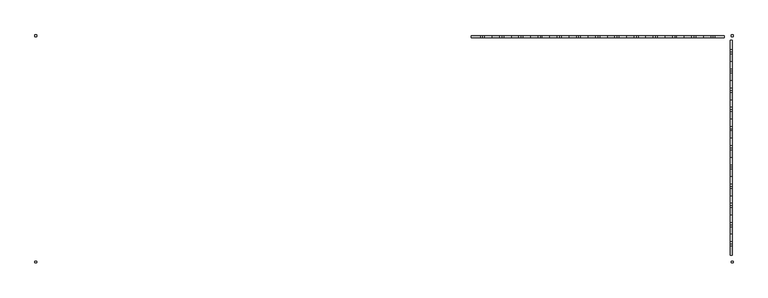
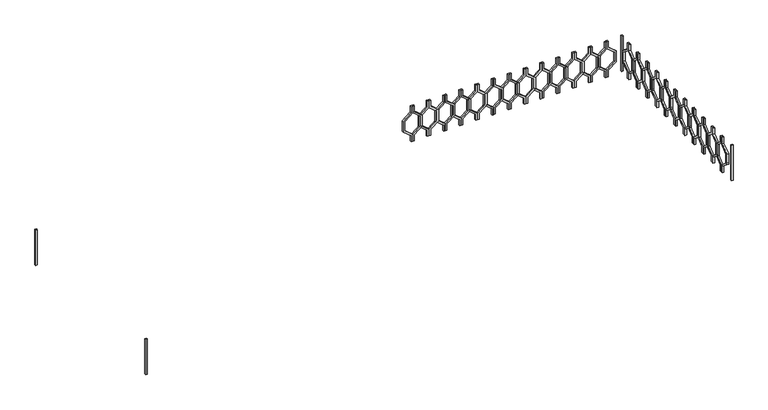
"""IFC4 building model written with IfcOpenShell, lengths in millimetres: railing geometry."""

from ifc_helpers import new_model, si_unit, frame, origin, place, context, project, spatial, polyline, outline, extrude, source, transform, mapped, element, save


def railing_201c6637(model_context):
    return source(origin(), model_context, "Body", "SweptSolid", [
        extrude(outline(polyline([(8860.0, -43314.9887159), (8860.0, -43334.9887159), (8780.0, -43334.9887159), (8700.0, -43433.9836653), (8560.0, -43433.9836653), (8480.0, -43334.9887159), (8400.0, -43334.9887159), (8400.0, -43314.9887159), (8489.551845, -43314.9887159), (8569.551845, -43413.9836653), (8690.448155, -43413.9836653), (8770.448155, -43314.9887159), (8860.0, -43314.9887159)])), frame((0.0, 3248.1079487, 0.0), z_axis=(0.0, 1.0, 0.0), x_axis=(0.0, 0.0, 1.0)), (0.0, 0.0, 1.0), 20.0),
        extrude(outline(polyline([(8860.0, -43314.9887159), (8770.448155, -43314.9887159), (8690.448155, -43215.9937665), (8569.551845, -43215.9937665), (8489.551845, -43314.9887159), (8400.0, -43314.9887159), (8400.0, -43294.9887159), (8480.0, -43294.9887159), (8560.0, -43195.9937665), (8700.0, -43195.9937665), (8780.0, -43294.9887159), (8860.0, -43294.9887159), (8860.0, -43314.9887159)])), frame((0.0, 3248.1079487, 0.0), z_axis=(0.0, 1.0, 0.0), x_axis=(0.0, 0.0, 1.0)), (0.0, 0.0, 1.0), 20.0),
        extrude(outline(polyline([(8860.0, -43114.9887159), (8860.0, -43134.9887159), (8780.0, -43134.9887159), (8700.0, -43233.9836653), (8560.0, -43233.9836653), (8480.0, -43134.9887159), (8400.0, -43134.9887159), (8400.0, -43114.9887159), (8489.551845, -43114.9887159), (8569.551845, -43213.9836653), (8690.448155, -43213.9836653), (8770.448155, -43114.9887159), (8860.0, -43114.9887159)])), frame((0.0, 3248.1079487, 0.0), z_axis=(0.0, 1.0, 0.0), x_axis=(0.0, 0.0, 1.0)), (0.0, 0.0, 1.0), 20.0),
        extrude(outline(polyline([(8860.0, -43114.9887159), (8770.448155, -43114.9887159), (8690.448155, -43015.9937665), (8569.551845, -43015.9937665), (8489.551845, -43114.9887159), (8400.0, -43114.9887159), (8400.0, -43094.9887159), (8480.0, -43094.9887159), (8560.0, -42995.9937665), (8700.0, -42995.9937665), (8780.0, -43094.9887159), (8860.0, -43094.9887159), (8860.0, -43114.9887159)])), frame((0.0, 3248.1079487, 0.0), z_axis=(0.0, 1.0, 0.0), x_axis=(0.0, 0.0, 1.0)), (0.0, 0.0, 1.0), 20.0),
        extrude(outline(polyline([(8860.0, -42914.9887159), (8860.0, -42934.9887159), (8780.0, -42934.9887159), (8700.0, -43033.9836653), (8560.0, -43033.9836653), (8480.0, -42934.9887159), (8400.0, -42934.9887159), (8400.0, -42914.9887159), (8489.551845, -42914.9887159), (8569.551845, -43013.9836653), (8690.448155, -43013.9836653), (8770.448155, -42914.9887159), (8860.0, -42914.9887159)])), frame((0.0, 3248.1079487, 0.0), z_axis=(0.0, 1.0, 0.0), x_axis=(0.0, 0.0, 1.0)), (0.0, 0.0, 1.0), 20.0),
        extrude(outline(polyline([(8860.0, -42914.9887159), (8770.448155, -42914.9887159), (8690.448155, -42815.9937665), (8569.551845, -42815.9937665), (8489.551845, -42914.9887159), (8400.0, -42914.9887159), (8400.0, -42894.9887159), (8480.0, -42894.9887159), (8560.0, -42795.9937665), (8700.0, -42795.9937665), (8780.0, -42894.9887159), (8860.0, -42894.9887159), (8860.0, -42914.9887159)])), frame((0.0, 3248.1079487, 0.0), z_axis=(0.0, 1.0, 0.0), x_axis=(0.0, 0.0, 1.0)), (0.0, 0.0, 1.0), 20.0),
        extrude(outline(polyline([(8860.0, -42714.9887159), (8860.0, -42734.9887159), (8780.0, -42734.9887159), (8700.0, -42833.9836653), (8560.0, -42833.9836653), (8480.0, -42734.9887159), (8400.0, -42734.9887159), (8400.0, -42714.9887159), (8489.551845, -42714.9887159), (8569.551845, -42813.9836653), (8690.448155, -42813.9836653), (8770.448155, -42714.9887159), (8860.0, -42714.9887159)])), frame((0.0, 3248.1079487, 0.0), z_axis=(0.0, 1.0, 0.0), x_axis=(0.0, 0.0, 1.0)), (0.0, 0.0, 1.0), 20.0),
        extrude(outline(polyline([(8860.0, -42714.9887159), (8770.448155, -42714.9887159), (8690.448155, -42615.9937665), (8569.551845, -42615.9937665), (8489.551845, -42714.9887159), (8400.0, -42714.9887159), (8400.0, -42694.9887159), (8480.0, -42694.9887159), (8560.0, -42595.9937665), (8700.0, -42595.9937665), (8780.0, -42694.9887159), (8860.0, -42694.9887159), (8860.0, -42714.9887159)])), frame((0.0, 3248.1079487, 0.0), z_axis=(0.0, 1.0, 0.0), x_axis=(0.0, 0.0, 1.0)), (0.0, 0.0, 1.0), 20.0),
        extrude(outline(polyline([(8860.0, -42514.9887159), (8860.0, -42534.9887159), (8780.0, -42534.9887159), (8700.0, -42633.9836653), (8560.0, -42633.9836653), (8480.0, -42534.9887159), (8400.0, -42534.9887159), (8400.0, -42514.9887159), (8489.551845, -42514.9887159), (8569.551845, -42613.9836653), (8690.448155, -42613.9836653), (8770.448155, -42514.9887159), (8860.0, -42514.9887159)])), frame((0.0, 3248.1079487, 0.0), z_axis=(0.0, 1.0, 0.0), x_axis=(0.0, 0.0, 1.0)), (0.0, 0.0, 1.0), 20.0),
        extrude(outline(polyline([(8860.0, -42514.9887159), (8770.448155, -42514.9887159), (8690.448155, -42415.9937665), (8569.551845, -42415.9937665), (8489.551845, -42514.9887159), (8400.0, -42514.9887159), (8400.0, -42494.9887159), (8480.0, -42494.9887159), (8560.0, -42395.9937665), (8700.0, -42395.9937665), (8780.0, -42494.9887159), (8860.0, -42494.9887159), (8860.0, -42514.9887159)])), frame((0.0, 3248.1079487, 0.0), z_axis=(0.0, 1.0, 0.0), x_axis=(0.0, 0.0, 1.0)), (0.0, 0.0, 1.0), 20.0),
        extrude(outline(polyline([(8860.0, -42314.9887159), (8860.0, -42334.9887159), (8780.0, -42334.9887159), (8700.0, -42433.9836653), (8560.0, -42433.9836653), (8480.0, -42334.9887159), (8400.0, -42334.9887159), (8400.0, -42314.9887159), (8489.551845, -42314.9887159), (8569.551845, -42413.9836653), (8690.448155, -42413.9836653), (8770.448155, -42314.9887159), (8860.0, -42314.9887159)])), frame((0.0, 3248.1079487, 0.0), z_axis=(0.0, 1.0, 0.0), x_axis=(0.0, 0.0, 1.0)), (0.0, 0.0, 1.0), 20.0),
        extrude(outline(polyline([(8860.0, -42314.9887159), (8770.448155, -42314.9887159), (8690.448155, -42215.9937665), (8569.551845, -42215.9937665), (8489.551845, -42314.9887159), (8400.0, -42314.9887159), (8400.0, -42294.9887159), (8480.0, -42294.9887159), (8560.0, -42195.9937665), (8700.0, -42195.9937665), (8780.0, -42294.9887159), (8860.0, -42294.9887159), (8860.0, -42314.9887159)])), frame((0.0, 3248.1079487, 0.0), z_axis=(0.0, 1.0, 0.0), x_axis=(0.0, 0.0, 1.0)), (0.0, 0.0, 1.0), 20.0),
        extrude(outline(polyline([(8860.0, -42114.9887159), (8860.0, -42134.9887159), (8780.0, -42134.9887159), (8700.0, -42233.9836653), (8560.0, -42233.9836653), (8480.0, -42134.9887159), (8400.0, -42134.9887159), (8400.0, -42114.9887159), (8489.551845, -42114.9887159), (8569.551845, -42213.9836653), (8690.448155, -42213.9836653), (8770.448155, -42114.9887159), (8860.0, -42114.9887159)])), frame((0.0, 3248.1079487, 0.0), z_axis=(0.0, 1.0, 0.0), x_axis=(0.0, 0.0, 1.0)), (0.0, 0.0, 1.0), 20.0),
        extrude(outline(polyline([(8860.0, -42114.9887159), (8770.448155, -42114.9887159), (8690.448155, -42015.9937665), (8569.551845, -42015.9937665), (8489.551845, -42114.9887159), (8400.0, -42114.9887159), (8400.0, -42094.9887159), (8480.0, -42094.9887159), (8560.0, -41995.9937665), (8700.0, -41995.9937665), (8780.0, -42094.9887159), (8860.0, -42094.9887159), (8860.0, -42114.9887159)])), frame((0.0, 3248.1079487, 0.0), z_axis=(0.0, 1.0, 0.0), x_axis=(0.0, 0.0, 1.0)), (0.0, 0.0, 1.0), 20.0),
        extrude(outline(polyline([(8860.0, -41914.9887159), (8860.0, -41934.9887159), (8780.0, -41934.9887159), (8700.0, -42033.9836653), (8560.0, -42033.9836653), (8480.0, -41934.9887159), (8400.0, -41934.9887159), (8400.0, -41914.9887159), (8489.551845, -41914.9887159), (8569.551845, -42013.9836653), (8690.448155, -42013.9836653), (8770.448155, -41914.9887159), (8860.0, -41914.9887159)])), frame((0.0, 3248.1079487, 0.0), z_axis=(0.0, 1.0, 0.0), x_axis=(0.0, 0.0, 1.0)), (0.0, 0.0, 1.0), 20.0),
        extrude(outline(polyline([(8860.0, -41914.9887159), (8770.448155, -41914.9887159), (8690.448155, -41815.9937665), (8569.551845, -41815.9937665), (8489.551845, -41914.9887159), (8400.0, -41914.9887159), (8400.0, -41894.9887159), (8480.0, -41894.9887159), (8560.0, -41795.9937665), (8700.0, -41795.9937665), (8780.0, -41894.9887159), (8860.0, -41894.9887159), (8860.0, -41914.9887159)])), frame((0.0, 3248.1079487, 0.0), z_axis=(0.0, 1.0, 0.0), x_axis=(0.0, 0.0, 1.0)), (0.0, 0.0, 1.0), 20.0),
        extrude(outline(polyline([(8860.0, -41714.9887159), (8860.0, -41734.9887159), (8780.0, -41734.9887159), (8700.0, -41833.9836653), (8560.0, -41833.9836653), (8480.0, -41734.9887159), (8400.0, -41734.9887159), (8400.0, -41714.9887159), (8489.551845, -41714.9887159), (8569.551845, -41813.9836653), (8690.448155, -41813.9836653), (8770.448155, -41714.9887159), (8860.0, -41714.9887159)])), frame((0.0, 3248.1079487, 0.0), z_axis=(0.0, 1.0, 0.0), x_axis=(0.0, 0.0, 1.0)), (0.0, 0.0, 1.0), 20.0),
        extrude(outline(polyline([(8860.0, -41714.9887159), (8770.448155, -41714.9887159), (8690.448155, -41615.9937665), (8569.551845, -41615.9937665), (8489.551845, -41714.9887159), (8400.0, -41714.9887159), (8400.0, -41694.9887159), (8480.0, -41694.9887159), (8560.0, -41595.9937665), (8700.0, -41595.9937665), (8780.0, -41694.9887159), (8860.0, -41694.9887159), (8860.0, -41714.9887159)])), frame((0.0, 3248.1079487, 0.0), z_axis=(0.0, 1.0, 0.0), x_axis=(0.0, 0.0, 1.0)), (0.0, 0.0, 1.0), 20.0),
        extrude(outline(polyline([(8860.0, -41514.9887159), (8860.0, -41534.9887159), (8780.0, -41534.9887159), (8700.0, -41633.9836653), (8560.0, -41633.9836653), (8480.0, -41534.9887159), (8400.0, -41534.9887159), (8400.0, -41514.9887159), (8489.551845, -41514.9887159), (8569.551845, -41613.9836653), (8690.448155, -41613.9836653), (8770.448155, -41514.9887159), (8860.0, -41514.9887159)])), frame((0.0, 3248.1079487, 0.0), z_axis=(0.0, 1.0, 0.0), x_axis=(0.0, 0.0, 1.0)), (0.0, 0.0, 1.0), 20.0),
        extrude(outline(polyline([(8860.0, -41514.9887159), (8770.448155, -41514.9887159), (8690.448155, -41415.9937665), (8569.551845, -41415.9937665), (8489.551845, -41514.9887159), (8400.0, -41514.9887159), (8400.0, -41494.9887159), (8480.0, -41494.9887159), (8560.0, -41395.9937665), (8700.0, -41395.9937665), (8780.0, -41494.9887159), (8860.0, -41494.9887159), (8860.0, -41514.9887159)])), frame((0.0, 3248.1079487, 0.0), z_axis=(0.0, 1.0, 0.0), x_axis=(0.0, 0.0, 1.0)), (0.0, 0.0, 1.0), 20.0),
        extrude(outline(polyline([(8860.0, -41314.9887159), (8860.0, -41334.9887159), (8780.0, -41334.9887159), (8700.0, -41433.9836653), (8560.0, -41433.9836653), (8480.0, -41334.9887159), (8400.0, -41334.9887159), (8400.0, -41314.9887159), (8489.551845, -41314.9887159), (8569.551845, -41413.9836653), (8690.448155, -41413.9836653), (8770.448155, -41314.9887159), (8860.0, -41314.9887159)])), frame((0.0, 3248.1079487, 0.0), z_axis=(0.0, 1.0, 0.0), x_axis=(0.0, 0.0, 1.0)), (0.0, 0.0, 1.0), 20.0),
        extrude(outline(polyline([(8860.0, -41314.9887159), (8770.448155, -41314.9887159), (8690.448155, -41215.9937665), (8569.551845, -41215.9937665), (8489.551845, -41314.9887159), (8400.0, -41314.9887159), (8400.0, -41294.9887159), (8480.0, -41294.9887159), (8560.0, -41195.9937665), (8700.0, -41195.9937665), (8780.0, -41294.9887159), (8860.0, -41294.9887159), (8860.0, -41314.9887159)])), frame((0.0, 3248.1079487, 0.0), z_axis=(0.0, 1.0, 0.0), x_axis=(0.0, 0.0, 1.0)), (0.0, 0.0, 1.0), 20.0),
        extrude(outline(polyline([(8860.0, -41114.9887159), (8860.0, -41134.9887159), (8780.0, -41134.9887159), (8700.0, -41233.9836653), (8560.0, -41233.9836653), (8480.0, -41134.9887159), (8400.0, -41134.9887159), (8400.0, -41114.9887159), (8489.551845, -41114.9887159), (8569.551845, -41213.9836653), (8690.448155, -41213.9836653), (8770.448155, -41114.9887159), (8860.0, -41114.9887159)])), frame((0.0, 3248.1079487, 0.0), z_axis=(0.0, 1.0, 0.0), x_axis=(0.0, 0.0, 1.0)), (0.0, 0.0, 1.0), 20.0),
        extrude(outline(polyline([(8860.0, -41114.9887159), (8770.448155, -41114.9887159), (8690.448155, -41015.9937665), (8569.551845, -41015.9937665), (8489.551845, -41114.9887159), (8400.0, -41114.9887159), (8400.0, -41094.9887159), (8480.0, -41094.9887159), (8560.0, -40995.9937665), (8700.0, -40995.9937665), (8780.0, -41094.9887159), (8860.0, -41094.9887159), (8860.0, -41114.9887159)])), frame((0.0, 3248.1079487, 0.0), z_axis=(0.0, 1.0, 0.0), x_axis=(0.0, 0.0, 1.0)), (0.0, 0.0, 1.0), 20.0),
        extrude(outline(polyline([(8860.0, -40914.9887159), (8860.0, -40934.9887159), (8780.0, -40934.9887159), (8700.0, -41033.9836653), (8560.0, -41033.9836653), (8480.0, -40934.9887159), (8400.0, -40934.9887159), (8400.0, -40914.9887159), (8489.551845, -40914.9887159), (8569.551845, -41013.9836653), (8690.448155, -41013.9836653), (8770.448155, -40914.9887159), (8860.0, -40914.9887159)])), frame((0.0, 3248.1079487, 0.0), z_axis=(0.0, 1.0, 0.0), x_axis=(0.0, 0.0, 1.0)), (0.0, 0.0, 1.0), 20.0),
        extrude(outline(polyline([(8860.0, -40914.9887159), (8770.448155, -40914.9887159), (8690.448155, -40815.9937665), (8569.551845, -40815.9937665), (8489.551845, -40914.9887159), (8400.0, -40914.9887159), (8400.0, -40894.9887159), (8480.0, -40894.9887159), (8560.0, -40795.9937665), (8700.0, -40795.9937665), (8780.0, -40894.9887159), (8860.0, -40894.9887159), (8860.0, -40914.9887159)])), frame((0.0, 3248.1079487, 0.0), z_axis=(0.0, 1.0, 0.0), x_axis=(0.0, 0.0, 1.0)), (0.0, 0.0, 1.0), 20.0),
        extrude(outline(polyline([(3103.1079487, 8860.0), (3123.1079487, 8860.0), (3123.1079487, 8780.0), (3222.102898, 8700.0), (3222.102898, 8560.0), (3123.1079487, 8480.0), (3123.1079487, 8400.0), (3103.1079487, 8400.0), (3103.1079487, 8489.551845), (3202.102898, 8569.551845), (3202.102898, 8690.448155), (3103.1079487, 8770.448155), (3103.1079487, 8860.0)])), frame((-40734.9887159, 0.0, 0.0), z_axis=(1.0, 0.0, 0.0), x_axis=(0.0, 1.0, 0.0)), (0.0, 0.0, 1.0), 20.0),
        extrude(outline(polyline([(3103.1079487, 8860.0), (3103.1079487, 8770.448155), (3004.1129993, 8690.448155), (3004.1129993, 8569.551845), (3103.1079487, 8489.551845), (3103.1079487, 8400.0), (3083.1079487, 8400.0), (3083.1079487, 8480.0), (2984.1129993, 8560.0), (2984.1129993, 8700.0), (3083.1079487, 8780.0), (3083.1079487, 8860.0), (3103.1079487, 8860.0)])), frame((-40734.9887159, 0.0, 0.0), z_axis=(1.0, 0.0, 0.0), x_axis=(0.0, 1.0, 0.0)), (0.0, 0.0, 1.0), 20.0),
        extrude(outline(polyline([(2903.1079487, 8860.0), (2923.1079487, 8860.0), (2923.1079487, 8780.0), (3022.102898, 8700.0), (3022.102898, 8560.0), (2923.1079487, 8480.0), (2923.1079487, 8400.0), (2903.1079487, 8400.0), (2903.1079487, 8489.551845), (3002.102898, 8569.551845), (3002.102898, 8690.448155), (2903.1079487, 8770.448155), (2903.1079487, 8860.0)])), frame((-40734.9887159, 0.0, 0.0), z_axis=(1.0, 0.0, 0.0), x_axis=(0.0, 1.0, 0.0)), (0.0, 0.0, 1.0), 20.0),
        extrude(outline(polyline([(2903.1079487, 8860.0), (2903.1079487, 8770.448155), (2804.1129993, 8690.448155), (2804.1129993, 8569.551845), (2903.1079487, 8489.551845), (2903.1079487, 8400.0), (2883.1079487, 8400.0), (2883.1079487, 8480.0), (2784.1129993, 8560.0), (2784.1129993, 8700.0), (2883.1079487, 8780.0), (2883.1079487, 8860.0), (2903.1079487, 8860.0)])), frame((-40734.9887159, 0.0, 0.0), z_axis=(1.0, 0.0, 0.0), x_axis=(0.0, 1.0, 0.0)), (0.0, 0.0, 1.0), 20.0),
        extrude(outline(polyline([(2703.1079487, 8860.0), (2723.1079487, 8860.0), (2723.1079487, 8780.0), (2822.102898, 8700.0), (2822.102898, 8560.0), (2723.1079487, 8480.0), (2723.1079487, 8400.0), (2703.1079487, 8400.0), (2703.1079487, 8489.551845), (2802.102898, 8569.551845), (2802.102898, 8690.448155), (2703.1079487, 8770.448155), (2703.1079487, 8860.0)])), frame((-40734.9887159, 0.0, 0.0), z_axis=(1.0, 0.0, 0.0), x_axis=(0.0, 1.0, 0.0)), (0.0, 0.0, 1.0), 20.0),
        extrude(outline(polyline([(2703.1079487, 8860.0), (2703.1079487, 8770.448155), (2604.1129993, 8690.448155), (2604.1129993, 8569.551845), (2703.1079487, 8489.551845), (2703.1079487, 8400.0), (2683.1079487, 8400.0), (2683.1079487, 8480.0), (2584.1129993, 8560.0), (2584.1129993, 8700.0), (2683.1079487, 8780.0), (2683.1079487, 8860.0), (2703.1079487, 8860.0)])), frame((-40734.9887159, 0.0, 0.0), z_axis=(1.0, 0.0, 0.0), x_axis=(0.0, 1.0, 0.0)), (0.0, 0.0, 1.0), 20.0),
        extrude(outline(polyline([(2503.1079487, 8860.0), (2523.1079487, 8860.0), (2523.1079487, 8780.0), (2622.102898, 8700.0), (2622.102898, 8560.0), (2523.1079487, 8480.0), (2523.1079487, 8400.0), (2503.1079487, 8400.0), (2503.1079487, 8489.551845), (2602.102898, 8569.551845), (2602.102898, 8690.448155), (2503.1079487, 8770.448155), (2503.1079487, 8860.0)])), frame((-40734.9887159, 0.0, 0.0), z_axis=(1.0, 0.0, 0.0), x_axis=(0.0, 1.0, 0.0)), (0.0, 0.0, 1.0), 20.0),
        extrude(outline(polyline([(2503.1079487, 8860.0), (2503.1079487, 8770.448155), (2404.1129993, 8690.448155), (2404.1129993, 8569.551845), (2503.1079487, 8489.551845), (2503.1079487, 8400.0), (2483.1079487, 8400.0), (2483.1079487, 8480.0), (2384.1129993, 8560.0), (2384.1129993, 8700.0), (2483.1079487, 8780.0), (2483.1079487, 8860.0), (2503.1079487, 8860.0)])), frame((-40734.9887159, 0.0, 0.0), z_axis=(1.0, 0.0, 0.0), x_axis=(0.0, 1.0, 0.0)), (0.0, 0.0, 1.0), 20.0),
        extrude(outline(polyline([(2303.1079487, 8860.0), (2323.1079487, 8860.0), (2323.1079487, 8780.0), (2422.102898, 8700.0), (2422.102898, 8560.0), (2323.1079487, 8480.0), (2323.1079487, 8400.0), (2303.1079487, 8400.0), (2303.1079487, 8489.551845), (2402.102898, 8569.551845), (2402.102898, 8690.448155), (2303.1079487, 8770.448155), (2303.1079487, 8860.0)])), frame((-40734.9887159, 0.0, 0.0), z_axis=(1.0, 0.0, 0.0), x_axis=(0.0, 1.0, 0.0)), (0.0, 0.0, 1.0), 20.0),
        extrude(outline(polyline([(2303.1079487, 8860.0), (2303.1079487, 8770.448155), (2204.1129993, 8690.448155), (2204.1129993, 8569.551845), (2303.1079487, 8489.551845), (2303.1079487, 8400.0), (2283.1079487, 8400.0), (2283.1079487, 8480.0), (2184.1129993, 8560.0), (2184.1129993, 8700.0), (2283.1079487, 8780.0), (2283.1079487, 8860.0), (2303.1079487, 8860.0)])), frame((-40734.9887159, 0.0, 0.0), z_axis=(1.0, 0.0, 0.0), x_axis=(0.0, 1.0, 0.0)), (0.0, 0.0, 1.0), 20.0),
        extrude(outline(polyline([(2103.1079487, 8860.0), (2123.1079487, 8860.0), (2123.1079487, 8780.0), (2222.102898, 8700.0), (2222.102898, 8560.0), (2123.1079487, 8480.0), (2123.1079487, 8400.0), (2103.1079487, 8400.0), (2103.1079487, 8489.551845), (2202.102898, 8569.551845), (2202.102898, 8690.448155), (2103.1079487, 8770.448155), (2103.1079487, 8860.0)])), frame((-40734.9887159, 0.0, 0.0), z_axis=(1.0, 0.0, 0.0), x_axis=(0.0, 1.0, 0.0)), (0.0, 0.0, 1.0), 20.0),
        extrude(outline(polyline([(2103.1079487, 8860.0), (2103.1079487, 8770.448155), (2004.1129993, 8690.448155), (2004.1129993, 8569.551845), (2103.1079487, 8489.551845), (2103.1079487, 8400.0), (2083.1079487, 8400.0), (2083.1079487, 8480.0), (1984.1129993, 8560.0), (1984.1129993, 8700.0), (2083.1079487, 8780.0), (2083.1079487, 8860.0), (2103.1079487, 8860.0)])), frame((-40734.9887159, 0.0, 0.0), z_axis=(1.0, 0.0, 0.0), x_axis=(0.0, 1.0, 0.0)), (0.0, 0.0, 1.0), 20.0),
        extrude(outline(polyline([(1903.1079487, 8860.0), (1923.1079487, 8860.0), (1923.1079487, 8780.0), (2022.102898, 8700.0), (2022.102898, 8560.0), (1923.1079487, 8480.0), (1923.1079487, 8400.0), (1903.1079487, 8400.0), (1903.1079487, 8489.551845), (2002.102898, 8569.551845), (2002.102898, 8690.448155), (1903.1079487, 8770.448155), (1903.1079487, 8860.0)])), frame((-40734.9887159, 0.0, 0.0), z_axis=(1.0, 0.0, 0.0), x_axis=(0.0, 1.0, 0.0)), (0.0, 0.0, 1.0), 20.0),
        extrude(outline(polyline([(1903.1079487, 8860.0), (1903.1079487, 8770.448155), (1804.1129993, 8690.448155), (1804.1129993, 8569.551845), (1903.1079487, 8489.551845), (1903.1079487, 8400.0), (1883.1079487, 8400.0), (1883.1079487, 8480.0), (1784.1129993, 8560.0), (1784.1129993, 8700.0), (1883.1079487, 8780.0), (1883.1079487, 8860.0), (1903.1079487, 8860.0)])), frame((-40734.9887159, 0.0, 0.0), z_axis=(1.0, 0.0, 0.0), x_axis=(0.0, 1.0, 0.0)), (0.0, 0.0, 1.0), 20.0),
        extrude(outline(polyline([(1703.1079487, 8860.0), (1723.1079487, 8860.0), (1723.1079487, 8780.0), (1822.102898, 8700.0), (1822.102898, 8560.0), (1723.1079487, 8480.0), (1723.1079487, 8400.0), (1703.1079487, 8400.0), (1703.1079487, 8489.551845), (1802.102898, 8569.551845), (1802.102898, 8690.448155), (1703.1079487, 8770.448155), (1703.1079487, 8860.0)])), frame((-40734.9887159, 0.0, 0.0), z_axis=(1.0, 0.0, 0.0), x_axis=(0.0, 1.0, 0.0)), (0.0, 0.0, 1.0), 20.0),
        extrude(outline(polyline([(1703.1079487, 8860.0), (1703.1079487, 8770.448155), (1604.1129993, 8690.448155), (1604.1129993, 8569.551845), (1703.1079487, 8489.551845), (1703.1079487, 8400.0), (1683.1079487, 8400.0), (1683.1079487, 8480.0), (1584.1129993, 8560.0), (1584.1129993, 8700.0), (1683.1079487, 8780.0), (1683.1079487, 8860.0), (1703.1079487, 8860.0)])), frame((-40734.9887159, 0.0, 0.0), z_axis=(1.0, 0.0, 0.0), x_axis=(0.0, 1.0, 0.0)), (0.0, 0.0, 1.0), 20.0),
        extrude(outline(polyline([(1503.1079487, 8860.0), (1523.1079487, 8860.0), (1523.1079487, 8780.0), (1622.102898, 8700.0), (1622.102898, 8560.0), (1523.1079487, 8480.0), (1523.1079487, 8400.0), (1503.1079487, 8400.0), (1503.1079487, 8489.551845), (1602.102898, 8569.551845), (1602.102898, 8690.448155), (1503.1079487, 8770.448155), (1503.1079487, 8860.0)])), frame((-40734.9887159, 0.0, 0.0), z_axis=(1.0, 0.0, 0.0), x_axis=(0.0, 1.0, 0.0)), (0.0, 0.0, 1.0), 20.0),
        extrude(outline(polyline([(1503.1079487, 8860.0), (1503.1079487, 8770.448155), (1404.1129993, 8690.448155), (1404.1129993, 8569.551845), (1503.1079487, 8489.551845), (1503.1079487, 8400.0), (1483.1079487, 8400.0), (1483.1079487, 8480.0), (1384.1129993, 8560.0), (1384.1129993, 8700.0), (1483.1079487, 8780.0), (1483.1079487, 8860.0), (1503.1079487, 8860.0)])), frame((-40734.9887159, 0.0, 0.0), z_axis=(1.0, 0.0, 0.0), x_axis=(0.0, 1.0, 0.0)), (0.0, 0.0, 1.0), 20.0),
        extrude(outline(polyline([(1303.1079487, 8860.0), (1323.1079487, 8860.0), (1323.1079487, 8780.0), (1422.102898, 8700.0), (1422.102898, 8560.0), (1323.1079487, 8480.0), (1323.1079487, 8400.0), (1303.1079487, 8400.0), (1303.1079487, 8489.551845), (1402.102898, 8569.551845), (1402.102898, 8690.448155), (1303.1079487, 8770.448155), (1303.1079487, 8860.0)])), frame((-40734.9887159, 0.0, 0.0), z_axis=(1.0, 0.0, 0.0), x_axis=(0.0, 1.0, 0.0)), (0.0, 0.0, 1.0), 20.0),
        extrude(outline(polyline([(1303.1079487, 8860.0), (1303.1079487, 8770.448155), (1204.1129993, 8690.448155), (1204.1129993, 8569.551845), (1303.1079487, 8489.551845), (1303.1079487, 8400.0), (1283.1079487, 8400.0), (1283.1079487, 8480.0), (1184.1129993, 8560.0), (1184.1129993, 8700.0), (1283.1079487, 8780.0), (1283.1079487, 8860.0), (1303.1079487, 8860.0)])), frame((-40734.9887159, 0.0, 0.0), z_axis=(1.0, 0.0, 0.0), x_axis=(0.0, 1.0, 0.0)), (0.0, 0.0, 1.0), 20.0),
        extrude(outline(polyline([(1103.1079487, 8860.0), (1123.1079487, 8860.0), (1123.1079487, 8780.0), (1222.102898, 8700.0), (1222.102898, 8560.0), (1123.1079487, 8480.0), (1123.1079487, 8400.0), (1103.1079487, 8400.0), (1103.1079487, 8489.551845), (1202.102898, 8569.551845), (1202.102898, 8690.448155), (1103.1079487, 8770.448155), (1103.1079487, 8860.0)])), frame((-40734.9887159, 0.0, 0.0), z_axis=(1.0, 0.0, 0.0), x_axis=(0.0, 1.0, 0.0)), (0.0, 0.0, 1.0), 20.0),
        extrude(outline(polyline([(1103.1079487, 8860.0), (1103.1079487, 8770.448155), (1004.1129993, 8690.448155), (1004.1129993, 8569.551845), (1103.1079487, 8489.551845), (1103.1079487, 8400.0), (1083.1079487, 8400.0), (1083.1079487, 8480.0), (984.1129993, 8560.0), (984.1129993, 8700.0), (1083.1079487, 8780.0), (1083.1079487, 8860.0), (1103.1079487, 8860.0)])), frame((-40734.9887159, 0.0, 0.0), z_axis=(1.0, 0.0, 0.0), x_axis=(0.0, 1.0, 0.0)), (0.0, 0.0, 1.0), 20.0),
        extrude(outline(polyline([(-47954.9887159, 3278.1079487), (-47954.9887159, 3258.1079487), (-47974.9887159, 3258.1079487), (-47974.9887159, 3278.1079487), (-47954.9887159, 3278.1079487)])), frame((0.0, 0.0, 8400.0), z_axis=(0.0, 0.0, 1.0), x_axis=(1.0, 0.0, 0.0)), (0.0, 0.0, 1.0), 460.0),
        extrude(outline(polyline([(-40704.9887159, 3258.1079487), (-40724.9887159, 3258.1079487), (-40724.9887159, 3278.1079487), (-40704.9887159, 3278.1079487), (-40704.9887159, 3258.1079487)])), frame((0.0, 0.0, 8400.0), z_axis=(0.0, 0.0, 1.0), x_axis=(1.0, 0.0, 0.0)), (0.0, 0.0, 1.0), 460.0),
        extrude(outline(polyline([(-47974.9887159, 923.1079487), (-47954.9887159, 923.1079487), (-47954.9887159, 903.1079487), (-47974.9887159, 903.1079487), (-47974.9887159, 923.1079487)])), frame((0.0, 0.0, 8400.0), z_axis=(0.0, 0.0, 1.0), x_axis=(1.0, 0.0, 0.0)), (0.0, 0.0, 1.0), 460.0),
        extrude(outline(polyline([(-40704.9887159, 903.1079487), (-40724.9887159, 903.1079487), (-40724.9887159, 923.1079487), (-40704.9887159, 923.1079487), (-40704.9887159, 903.1079487)])), frame((0.0, 0.0, 8400.0), z_axis=(0.0, 0.0, 1.0), x_axis=(1.0, 0.0, 0.0)), (0.0, 0.0, 1.0), 460.0),
    ])


if __name__ == "__main__":
    model = new_model("IFC4")
    model_context = context("Model", 3, world=origin())
    ifc_project = project(units=[si_unit("LENGTHUNIT", "METRE", prefix="MILLI")], contexts=[model_context])
    site = spatial("IfcSite", under=ifc_project)
    building = spatial("IfcBuilding", under=site)
    placement = place(None, origin())
    railing_shape = railing_201c6637(model_context)
    element("IfcRailing", 1, at=placement, inside=building, context=model_context, shape_type="MappedRepresentation", body=[
        mapped(railing_shape, transform((0.0, 0.0, 0.0), x_axis=(1.0, 0.0, 0.0), y_axis=(0.0, 1.0, 0.0), z_axis=(0.0, 0.0, 1.0))),
    ])
    save(model, "model.ifc")
